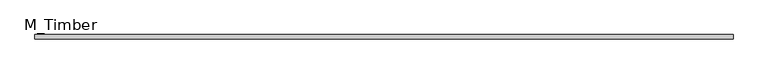
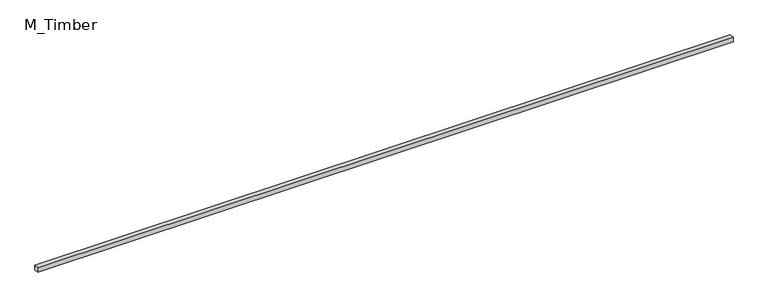
"""IFC4 building model written with IfcOpenShell, lengths in millimetres: beam geometry, M_Timber."""

from ifc_helpers import new_model, si_unit, frame, origin, place, context, project, spatial, polyline, outline, extrude, source, transform, mapped, element, save


def m_timber_9c903967(model_context):
    return source(origin(), model_context, "Body", "SweptSolid", [
        extrude(outline(polyline([(3100.0, 20.0), (3100.0, -20.0), (-3100.0, -20.0), (-3100.0, 20.0), (3100.0, 20.0)])), frame((0.0, 0.0, -20.0), z_axis=(0.0, 0.0, 1.0), x_axis=(1.0, 0.0, 0.0)), (0.0, 0.0, 1.0), 40.0),
    ])


if __name__ == "__main__":
    model = new_model("IFC4")
    model_context = context("Model", 3, world=origin())
    ifc_project = project(units=[si_unit("LENGTHUNIT", "METRE", prefix="MILLI")], contexts=[model_context])
    site = spatial("IfcSite", under=ifc_project)
    building = spatial("IfcBuilding", under=site)
    placement = place(None, origin())
    m_timber_shape = m_timber_9c903967(model_context)
    element("IfcBeam", 1, ObjectType="M_Timber", at=placement, inside=building, context=model_context, shape_type="MappedRepresentation", body=[
        mapped(m_timber_shape, transform((0.0, 0.0, 0.0), x_axis=(1.0, 0.0, 0.0), y_axis=(0.0, 1.0, 0.0), z_axis=(0.0, 0.0, 1.0))),
    ])
    save(model, "model.ifc")
